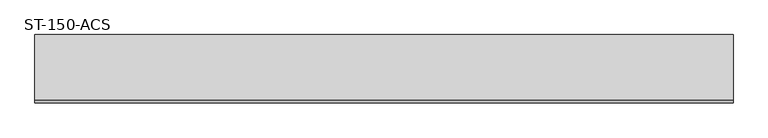
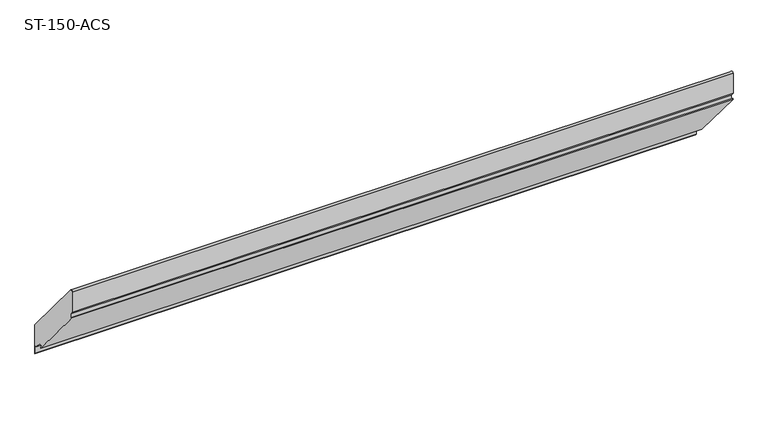
"""IFC4 building model written with IfcOpenShell, lengths in millimetres: plate geometry, ST-150-ACS."""

from ifc_helpers import new_model, si_unit, point, frame, frame_2d, origin, place, context, project, spatial, polyline, circle_curve, trimmed, segment, composite_curve, outline, extrude, source, transform, mapped, element, save


def st_150_acs_51d1dec6(model_context):
    return source(origin(), model_context, "Body", "SweptSolid", [
        extrude(outline(composite_curve([segment(polyline([(0.0, -51.385915), (0.0, -3.0)]), True, "CONTINUOUS"), segment(trimmed(circle_curve(frame_2d((3.0, -3.0)), 3.0), [point((0.0, -3.0))], [point((5.2981333, -1.0716372))], False, "CARTESIAN"), True, "CONTINUOUS"), segment(polyline([(5.2981333, -1.0716372), (147.0, -169.9453459), (147.0, -239.9529181), (145.1, -237.6885862), (145.1, -220.5244817), (140.8188445, -219.2072788), (128.5232614, -204.5539735), (119.3854103, -204.5539735), (124.8505378, -211.0670588), (123.6248667, -212.0955189), (-0.1171197, -64.6255621), (1.1085514, -63.5971019), (7.0, -70.618257), (7.0, -59.7281902), (0.0, -51.385915)]), True, "CONTINUOUS")], self_intersect=False)), frame((-750.0, 0.0, 0.0), z_axis=(1.0, 0.0, 0.0), x_axis=(0.0, 1.0, 0.0)), (0.0, 0.0, 1.0), 1500.0),
    ])


if __name__ == "__main__":
    model = new_model("IFC4")
    model_context = context("Model", 3, world=origin())
    ifc_project = project(units=[si_unit("LENGTHUNIT", "METRE", prefix="MILLI")], contexts=[model_context])
    site = spatial("IfcSite", under=ifc_project)
    building = spatial("IfcBuilding", under=site)
    placement = place(None, origin())
    st_150_acs_shape = st_150_acs_51d1dec6(model_context)
    element("IfcPlate", 1, ObjectType="ST-150-ACS", at=placement, inside=building, context=model_context, shape_type="MappedRepresentation", body=[
        mapped(st_150_acs_shape, transform((0.0, 0.0, 0.0), x_axis=(1.0, 0.0, 0.0), y_axis=(0.0, 1.0, 0.0), z_axis=(0.0, 0.0, 1.0))),
    ])
    save(model, "model.ifc")
